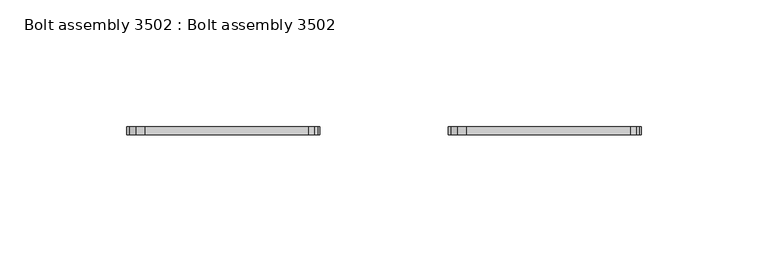
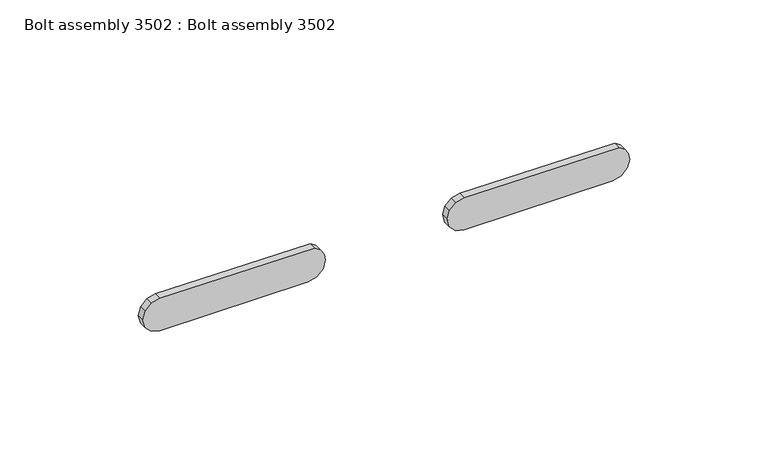
"""IFC4 building model written with IfcOpenShell, lengths in millimetres: proxy geometry, Bolt assembly 3502 : Bolt assembly 3502."""

from ifc_helpers import new_model, si_unit, frame, origin, place, context, project, spatial, polyline, outline, extrude, source, transform, mapped, element, save


def bolt_assembly_3502_bolt_assembly_3502_8f5f694c(model_context):
    return source(origin(), model_context, "Body", "SweptSolid", [
        extrude(outline(polyline([(-70.2907269, 977.3561138), (-67.9727221, 975.8072725), (-66.4238808, 973.4892677), (-65.88, 908.8449947), (-66.8372485, 905.2724947), (-69.4525, 902.6572432), (-73.025, 901.6999948), (-76.5975, 902.6572432), (-79.2127515, 905.2724947), (-80.17, 908.8449947), (-80.17, 970.7549946), (-79.2127515, 974.3274946), (-76.5975, 976.9427461), (-73.025, 977.8999946), (-70.2907269, 977.3561138)])), frame((0.0, 1863.7249939, 0.0), z_axis=(0.0, 1.0, 0.0), x_axis=(0.0, 0.0, 1.0)), (0.0, 0.0, 1.0), 3.275),
        extrude(outline(polyline([(-70.2907269, 850.3561138), (-67.9727221, 848.8072725), (-66.4238808, 846.4892677), (-65.88, 781.8449947), (-66.8372485, 778.2724947), (-69.4525, 775.6572432), (-73.025, 774.6999948), (-76.5975, 775.6572432), (-79.2127515, 778.2724947), (-80.17, 781.8449947), (-80.17, 843.7549946), (-79.2127515, 847.3274946), (-76.5975, 849.9427461), (-73.025, 850.8999946), (-70.2907269, 850.3561138)])), frame((0.0, 1863.7249939, 0.0), z_axis=(0.0, 1.0, 0.0), x_axis=(0.0, 0.0, 1.0)), (0.0, 0.0, 1.0), 3.275),
    ])


if __name__ == "__main__":
    model = new_model("IFC4")
    model_context = context("Model", 3, world=origin())
    ifc_project = project(units=[si_unit("LENGTHUNIT", "METRE", prefix="MILLI")], contexts=[model_context])
    site = spatial("IfcSite", under=ifc_project)
    building = spatial("IfcBuilding", under=site)
    placement = place(None, origin())
    bolt_assembly_3502_bolt_assembly_3502_shape = bolt_assembly_3502_bolt_assembly_3502_8f5f694c(model_context)
    element("IfcBuildingElementProxy", 1, Name="Bolt assembly 3502 : Bolt assembly 3502", ObjectType="Bolt assembly 3502 : Bolt assembly 3502", at=placement, inside=building, context=model_context, shape_type="MappedRepresentation", body=[
        mapped(bolt_assembly_3502_bolt_assembly_3502_shape, transform((0.0, 0.0, 0.0), x_axis=(1.0, 0.0, 0.0), y_axis=(0.0, 1.0, 0.0), z_axis=(0.0, 0.0, 1.0))),
    ])
    save(model, "model.ifc")
